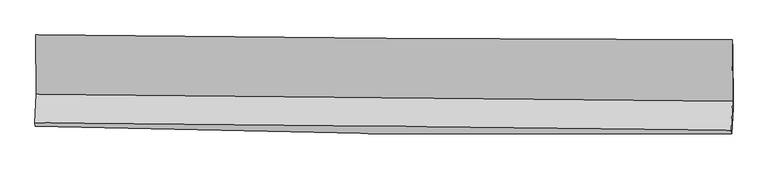
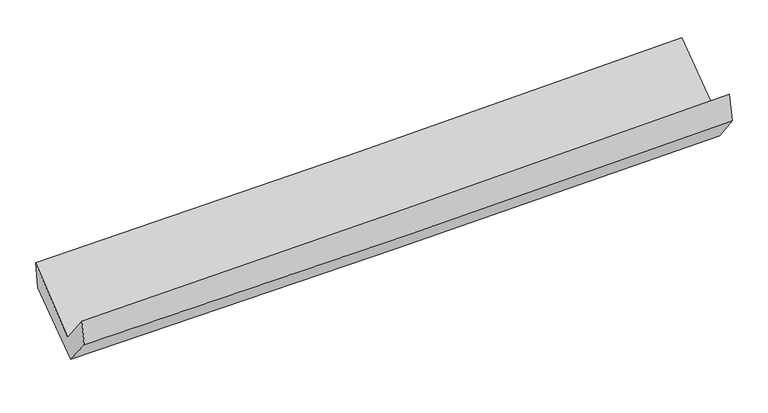
"""IFC4 building model written with IfcOpenShell, lengths in millimetres: proxy geometry."""

from ifc_helpers import new_model, si_unit, frame, origin, place, context, project, spatial, source, transform, mapped, element, save
from ifc_brep_helpers import plane_surface, spline_curve, spline_surface, advanced_brep


def generic_models_b470bc58(model_context):
    return source(origin(), model_context, "Body", "AdvancedBrep", [
        advanced_brep(
        [(-3025.371072, -1173.2485779, 2175.9738957), (-3020.5229721, -1686.6666868, 1747.3485743), (3011.4467607, -1746.0190154, 1909.181464), (3006.6662854, -1213.7069124, 2318.1927831), (-3031.3576473, -1933.2040924, 2060.1465566), (3000.1174911, -1999.1082306, 2238.4346821), (-3026.2799456, -1965.9249094, 1844.9384823), (3006.2010692, -2030.0586554, 1991.1216169), (-3016.2062014, -1732.5315333, 1556.0387534), (3016.0338252, -1809.910161, 1705.567625), (-3019.8556794, -1203.284254, 1944.7631558), (3011.526718, -1285.9577438, 2100.5208261)],
        [
            (0, 1),
            (1, 2, spline_curve(3, [(-3020.5229721, -1686.6666868, 1747.3485743), (-2015.143006293, -1697.603058983, 1770.497808534), (-1009.811612809, -1708.017072608, 1795.55780346), (1000.844973457, -1727.801276461, 1849.501754107), (2006.170157938, -1737.171372613, 1878.386056061), (3011.4467607, -1746.0190154, 1909.181464)], [4, 2, 4], [0.0, 9.898096502856102, 19.797088458058212])),
            (2, 3),
            (3, 0, spline_curve(3, [(3006.6662854, -1213.7069124, 2318.1927831), (2001.342061228, -1212.9271104, 2289.673618004), (995.98743133, -1209.165394225, 2263.562034599), (-1014.691693262, -1195.678743196, 2216.15617404), (-2020.01618269, -1185.954348001, 2194.861461923), (-3025.371072, -1173.2485779, 2175.9738957)], [4, 2, 4], [0.0, 9.89899195520211, 19.797088458058212])),
            (1, 4),
            (4, 5, spline_curve(3, [(-3031.3576473, -1933.2040924, 2060.1465566), (-2025.939676594, -1944.056028072, 2081.900536436), (-1020.630492799, -1954.97375569, 2107.634018012), (989.86123999, -1976.941790157, 2167.062673036), (1995.043768499, -1987.992108021, 2200.758566529), (3000.1174911, -1999.1082306, 2238.4346821)], [4, 2, 4], [0.0, 9.898625451030448, 19.798146402259327])),
            (5, 2),
            (4, 6),
            (6, 7, spline_curve(3, [(-3026.2799456, -1965.9249094, 1844.9384823), (-2021.201527929, -1996.380759237, 1872.244342186), (-1015.978312294, -2016.953368206, 1898.078715503), (994.848666249, -2038.333071631, 1946.806693538), (2000.452455729, -2039.138377915, 1969.700031626), (3006.2010692, -2030.0586554, 1991.1216169)], [4, 2, 4], [0.0, 9.898807520873529, 19.798510558416822])),
            (7, 5),
            (6, 8),
            (8, 9, spline_curve(3, [(-3016.2062014, -1732.5315333, 1556.0387534), (-2010.753977171, -1750.125952856, 1574.388270659), (-1005.363930555, -1765.371196063, 1596.023056101), (1005.382756078, -1791.164497007, 1645.865418945), (2010.739385265, -1801.712129693, 1674.073590344), (3016.0338252, -1809.910161, 1705.567625)], [4, 2, 4], [0.0, 9.898995718598906, 19.798886970893285])),
            (9, 7),
            (8, 10),
            (10, 11, spline_curve(3, [(-3019.8556794, -1203.284254, 1944.7631558), (-2014.888109112, -1221.269872161, 1977.420858667), (-1009.811863116, -1237.151922246, 2006.72908022), (1000.648916307, -1264.710132654, 2058.648909593), (2006.033469404, -1276.38591262, 2081.259911461), (3011.526718, -1285.9577438, 2100.5208261)], [4, 2, 4], [0.0, 9.898322648682468, 19.797540770169707])),
            (11, 9),
            (10, 0),
            (3, 11),
        ],
        [
            spline_surface(3, 3, [[(-3025.371072, -1173.2485779, 2175.9738957), (-2020.016182634, -1185.954347975, 2194.861461994), (-1014.691693284, -1195.678743219, 2216.156174195), (995.987431351, -1209.165394202, 2263.562034443), (2001.342061132, -1212.927110406, 2289.673618036), (3006.6662854, -1213.7069124, 2318.1927831)], [(-3023.755038697, -1344.387947551, 2033.098788555), (-2018.391790494, -1356.503918361, 2053.406910839), (-1013.06499983, -1366.458186325, 2075.956717274), (997.606612052, -1382.044021666, 2125.541941052), (2002.951426667, -1387.675197822, 2152.577764002), (3008.259777152, -1391.144280065, 2181.855676728)], [(-3022.139005403, -1515.527317149, 1890.223681445), (-2016.767398363, -1527.053488693, 1911.952359719), (-1011.438306317, -1537.237629401, 1935.757260286), (999.22579281, -1554.9226491, 1987.521847593), (2004.560792247, -1562.423285241, 2015.481909985), (3009.853268948, -1568.581647735, 2045.518570372)], [(-3020.5229721, -1686.6666868, 1747.3485743), (-2015.143006223, -1697.603059079, 1770.497808564), (-1009.811612862, -1708.017072506, 1795.557803365), (1000.84497351, -1727.801276563, 1849.501754202), (2006.170157782, -1737.171372656, 1878.386055951), (3011.4467607, -1746.0190154, 1909.181464)]], [4, 4], [4, 2, 4], [0.0, 2.176051468394656], [0.0, 9.898096502856102, 19.797088458058212]),
            spline_surface(3, 3, [[(-3020.5229721, -1686.6666868, 1747.3485743), (-2015.143006223, -1697.603059079, 1770.497808564), (-1009.811612862, -1708.017072506, 1795.557803365), (1000.84497351, -1727.801276563, 1849.501754202), (2006.170157782, -1737.171372656, 1878.386055951), (3011.4467607, -1746.0190154, 1909.181464)], [(-3024.134530506, -1768.845821991, 1851.614568404), (-2018.741896386, -1779.754048686, 1874.29871782), (-1013.417906106, -1790.335966931, 1899.583208213), (997.183728967, -1810.848114354, 1955.355393808), (2002.46136139, -1820.778284469, 1985.843559498), (3007.670337502, -1830.382087111, 2018.932536702)], [(-3027.746088894, -1851.024957209, 1955.880562496), (-2022.34078653, -1861.905038319, 1978.099627063), (-1017.024199398, -1872.654861422, 2003.60861312), (993.522484377, -1893.894952211, 2061.209033474), (1998.752564991, -1904.385196348, 2093.301063039), (3003.893914298, -1914.745158889, 2128.683609398)], [(-3031.3576473, -1933.2040924, 2060.1465566), (-2025.939676693, -1944.056027926, 2081.900536319), (-1020.630492642, -1954.973755846, 2107.634017968), (989.861239834, -1976.941790001, 2167.06267308), (1995.043768599, -1987.992108161, 2200.758566586), (3000.1174911, -1999.1082306, 2238.4346821)]], [4, 4], [4, 2, 4], [0.0, 1.3154403935646055], [0.0, 9.898625451030448, 19.798146402259327]),
            spline_surface(3, 3, [[(-3031.3576473, -1933.2040924, 2060.1465566), (-2025.939676693, -1944.056027926, 2081.900536319), (-1020.630492642, -1954.973755846, 2107.634017968), (989.861239834, -1976.941790001, 2167.06267308), (1995.043768599, -1987.992108161, 2200.758566586), (3000.1174911, -1999.1082306, 2238.4346821)], [(-3029.665080067, -1944.111031416, 1988.410531844), (-2024.360293737, -1961.497605001, 2012.015138286), (-1019.079765903, -1975.633626624, 2037.782250518), (991.52371532, -1997.405550602, 2093.644013183), (1996.846664344, -2005.040864814, 2123.739054887), (3002.145350458, -2009.425038882, 2155.996993689)], [(-3027.972512833, -1955.017970384, 1916.674507056), (-2022.78091078, -1978.939182028, 1942.129740221), (-1017.529039121, -1996.293497328, 1967.930483084), (993.186190849, -2017.869311129, 2020.225353303), (1998.649560114, -2022.089621421, 2046.719543223), (3004.173209842, -2019.741847118, 2073.559305311)], [(-3026.2799456, -1965.9249094, 1844.9384823), (-2021.201527825, -1996.380759103, 1872.244342188), (-1015.978312381, -2016.953368106, 1898.078715634), (994.848666336, -2038.33307173, 1946.806693406), (2000.452455858, -2039.138378075, 1969.700031524), (3006.2010692, -2030.0586554, 1991.1216169)]], [4, 4], [4, 2, 4], [0.0, 0.7337132053527461], [0.0, 9.898807520873529, 19.798510558416822]),
            spline_surface(3, 3, [[(-3026.2799456, -1965.9249094, 1844.9384823), (-2021.201527825, -1996.380759103, 1872.244342188), (-1015.978312381, -2016.953368106, 1898.078715634), (994.848666336, -2038.33307173, 1946.806693406), (2000.452455858, -2039.138378075, 1969.700031524), (3006.2010692, -2030.0586554, 1991.1216169)], [(-3022.92203088, -1888.12711736, 1748.638572658), (-2017.719010941, -1914.29582365, 1772.958984951), (-1012.440185107, -1933.092644089, 1797.393495815), (998.360029632, -1955.943546826, 1846.492935246), (2003.881432302, -1959.99629526, 1871.157884506), (3009.478654536, -1956.675823934, 1895.936952934)], [(-3019.56411612, -1810.32932534, 1652.338663042), (-2014.236494018, -1832.210888216, 1673.673627742), (-1008.902057904, -1849.23192007, 1696.708275967), (1001.871392857, -1873.554021922, 1746.179177057), (2007.310408739, -1880.854212444, 1772.615737485), (3012.756239864, -1883.292992466, 1800.752288966)], [(-3016.2062014, -1732.5315333, 1556.0387534), (-2010.753977134, -1750.125952763, 1574.388270505), (-1005.36393063, -1765.371196052, 1596.023056148), (1005.382756153, -1791.164497018, 1645.865418898), (2010.739385184, -1801.712129629, 1674.073590467), (3016.0338252, -1809.910161, 1705.567625)]], [4, 4], [4, 2, 4], [0.0, 1.2841506041972077], [0.0, 9.898995718598906, 19.798886970893285]),
            spline_surface(3, 3, [[(-3016.2062014, -1732.5315333, 1556.0387534), (-2010.753977134, -1750.125952763, 1574.388270505), (-1005.36393063, -1765.371196052, 1596.023056148), (1005.382756153, -1791.164497018, 1645.865418898), (2010.739385184, -1801.712129629, 1674.073590467), (3016.0338252, -1809.910161, 1705.567625)], [(-3017.422694074, -1556.115773524, 1685.613554209), (-2012.132021129, -1573.840592544, 1708.732466515), (-1006.846574816, -1589.29810476, 1732.925064156), (1003.804809535, -1615.679708927, 1783.459915817), (2009.170746628, -1626.603390627, 1809.802364131), (3014.531456143, -1635.259355271, 1837.218692037)], [(-3018.639186726, -1379.700013776, 1815.188354991), (-2013.510065103, -1397.555232354, 1843.076662498), (-1008.329218961, -1413.225013457, 1869.827072156), (1002.226862957, -1440.194920826, 1921.054412729), (2007.602108045, -1451.494651614, 1945.531137784), (3013.029087057, -1460.608549529, 1968.869759063)], [(-3019.8556794, -1203.284254, 1944.7631558), (-2014.888109097, -1221.269872134, 1977.420858508), (-1009.811863147, -1237.151922164, 2006.729080164), (1000.648916338, -1264.710132735, 2058.648909649), (2006.03346949, -1276.385912613, 2081.259911449), (3011.526718, -1285.9577438, 2100.5208261)]], [4, 4], [4, 2, 4], [0.0, 2.1950729830045543], [0.0, 9.898322648682468, 19.797540770169707]),
            spline_surface(3, 3, [[(-3019.8556794, -1203.284254, 1944.7631558), (-2014.888109097, -1221.269872134, 1977.420858508), (-1009.811863147, -1237.151922164, 2006.729080164), (1000.648916338, -1264.710132735, 2058.648909649), (2006.03346949, -1276.385912613, 2081.259911449), (3011.526718, -1285.9577438, 2100.5208261)], [(-3021.694143576, -1193.272361958, 2021.83340243), (-2016.597466919, -1209.498030739, 2049.901059666), (-1011.438473185, -1223.327529167, 2076.538111498), (999.095088017, -1246.195219875, 2126.953284571), (2004.469666713, -1255.232978548, 2150.731146989), (3009.90657381, -1261.874133337, 2173.078145111)], [(-3023.532607824, -1183.260469942, 2098.90364907), (-2018.306824812, -1197.72618937, 2122.381260835), (-1013.065083246, -1209.503136217, 2146.347142861), (997.541259673, -1227.680307063, 2195.257659521), (2002.905863908, -1234.080044471, 2220.202382497), (3008.28642959, -1237.790522863, 2245.635464089)], [(-3025.371072, -1173.2485779, 2175.9738957), (-2020.016182634, -1185.954347975, 2194.861461994), (-1014.691693284, -1195.678743219, 2216.156174195), (995.987431351, -1209.165394202, 2263.562034443), (2001.342061132, -1212.927110406, 2289.673618036), (3006.6662854, -1213.7069124, 2318.1927831)]], [4, 4], [4, 2, 4], [0.0, 0.6982511398615148], [0.0, 9.897661332833541, 19.79621807864451]),
            plane_surface(frame((3008.6653583, -1680.7934531, 2043.8364995), z_axis=(0.9996027252433574, -0.010971292819418613, 0.025961941759498175), x_axis=(-0.006869006315097279, 0.79852382576068, 0.6019240121849022))),
            plane_surface(frame((-3023.2655863, -1615.810009, 1888.2015697), z_axis=(-0.9996091685500993, 0.011741231173224904, -0.025370329937078277), x_axis=(0.023649013753149522, -0.1287875911264425, -0.9913901757231366))),
        ],
        [
            (0, [[1, 2, 3, 4]]),
            (1, [[5, 6, 7, -2]]),
            (2, [[8, 9, 10, -6]]),
            (3, [[11, 12, 13, -9]]),
            (4, [[14, 15, 16, -12]]),
            (5, [[17, -4, 18, -15]]),
            (6, [[-16, -18, -3, -7, -10, -13]]),
            (7, [[-17, -14, -11, -8, -5, -1]]),
        ],
    ),
    ])


if __name__ == "__main__":
    model = new_model("IFC4")
    model_context = context("Model", 3, world=origin())
    ifc_project = project(units=[si_unit("LENGTHUNIT", "METRE", prefix="MILLI")], contexts=[model_context])
    site = spatial("IfcSite", under=ifc_project)
    building = spatial("IfcBuilding", under=site)
    placement = place(None, origin())
    generic_models_shape = generic_models_b470bc58(model_context)
    element("IfcBuildingElementProxy", 1, Name="Generic Models", at=placement, inside=building, context=model_context, shape_type="MappedRepresentation", body=[
        mapped(generic_models_shape, transform((0.0, 0.0, 0.0), x_axis=(1.0, 0.0, 0.0), y_axis=(0.0, 1.0, 0.0), z_axis=(0.0, 0.0, 1.0))),
    ])
    save(model, "model.ifc")
